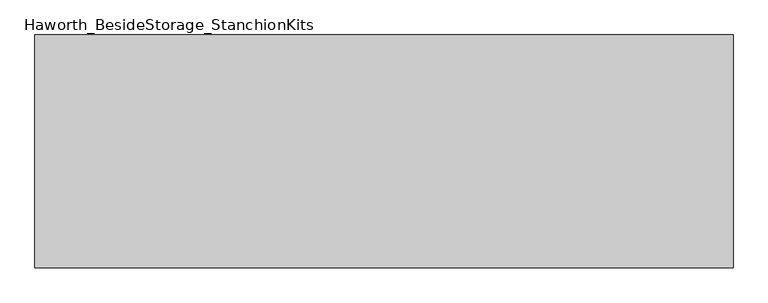
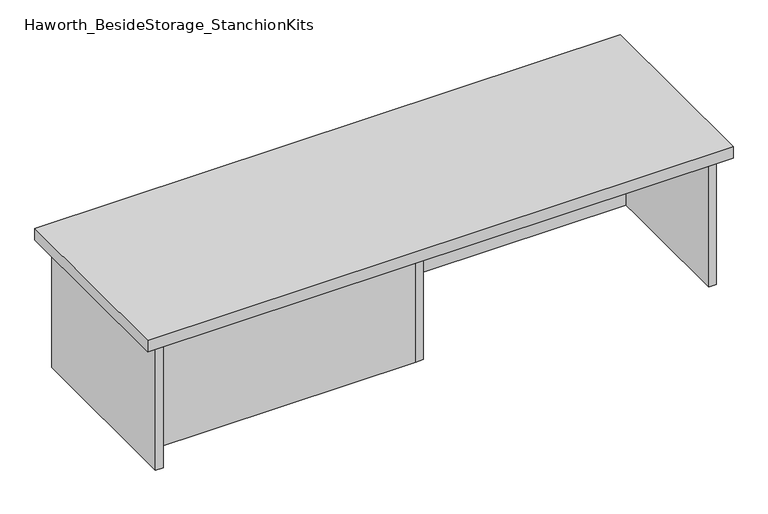
"""IFC4 building model written with IfcOpenShell, lengths in millimetres: furniture geometry, Haworth_BesideStorage_StanchionKits."""

from ifc_helpers import new_model, si_unit, frame, origin, place, context, project, spatial, polyline, outline, extrude, source, transform, mapped, element, save


def haworth_besidestorage_stanchionkits_537f07bb(model_context):
    return source(origin(), model_context, "Body", "SweptSolid", [
        extrude(outline(polyline([(771.525, 0.0), (771.525, -406.4), (-447.675, -406.4), (-447.675, 0.0), (771.525, 0.0)])), frame((0.0, 0.0, 711.2), z_axis=(0.0, 0.0, 1.0), x_axis=(1.0, 0.0, 0.0)), (0.0, 0.0, 1.0), 25.4),
        extrude(outline(polyline([(169.8625, -76.2), (730.25, -76.2), (730.25, -92.075), (169.8625, -92.075), (169.8625, -76.2)])), frame((0.0, 0.0, 431.8), z_axis=(0.0, 0.0, 1.0), x_axis=(1.0, 0.0, 0.0)), (0.0, 0.0, 1.0), 279.4),
        extrude(outline(polyline([(153.9875, -314.325), (153.9875, -330.2), (-406.4, -330.2), (-406.4, -314.325), (153.9875, -314.325)])), frame((0.0, 0.0, 431.8), z_axis=(0.0, 0.0, 1.0), x_axis=(1.0, 0.0, 0.0)), (0.0, 0.0, 1.0), 279.4),
        extrude(outline(polyline([(169.8625, -330.2), (153.9875, -330.2), (153.9875, -76.2), (169.8625, -76.2), (169.8625, -330.2)])), frame((0.0, 0.0, 431.8), z_axis=(0.0, 0.0, 1.0), x_axis=(1.0, 0.0, 0.0)), (0.0, 0.0, 1.0), 279.4),
        extrude(outline(polyline([(746.125, -390.525), (730.25, -390.525), (730.25, -15.875), (746.125, -15.875), (746.125, -390.525)])), frame((0.0, 0.0, 431.8), z_axis=(0.0, 0.0, 1.0), x_axis=(1.0, 0.0, 0.0)), (0.0, 0.0, 1.0), 279.4),
        extrude(outline(polyline([(-406.4, -390.525), (-422.275, -390.525), (-422.275, -15.875), (-406.4, -15.875), (-406.4, -390.525)])), frame((0.0, 0.0, 431.8), z_axis=(0.0, 0.0, 1.0), x_axis=(1.0, 0.0, 0.0)), (0.0, 0.0, 1.0), 279.4),
    ])


if __name__ == "__main__":
    model = new_model("IFC4")
    model_context = context("Model", 3, world=origin())
    ifc_project = project(units=[si_unit("LENGTHUNIT", "METRE", prefix="MILLI")], contexts=[model_context])
    site = spatial("IfcSite", under=ifc_project)
    building = spatial("IfcBuilding", under=site)
    placement = place(None, origin())
    haworth_besidestorage_stanchionkits_shape = haworth_besidestorage_stanchionkits_537f07bb(model_context)
    element("IfcFurniture", 1, ObjectType="Haworth_BesideStorage_StanchionKits", at=placement, inside=building, context=model_context, shape_type="MappedRepresentation", body=[
        mapped(haworth_besidestorage_stanchionkits_shape, transform((0.0, 0.0, 0.0), x_axis=(1.0, 0.0, 0.0), y_axis=(0.0, 1.0, 0.0), z_axis=(0.0, 0.0, 1.0))),
    ])
    save(model, "model.ifc")
